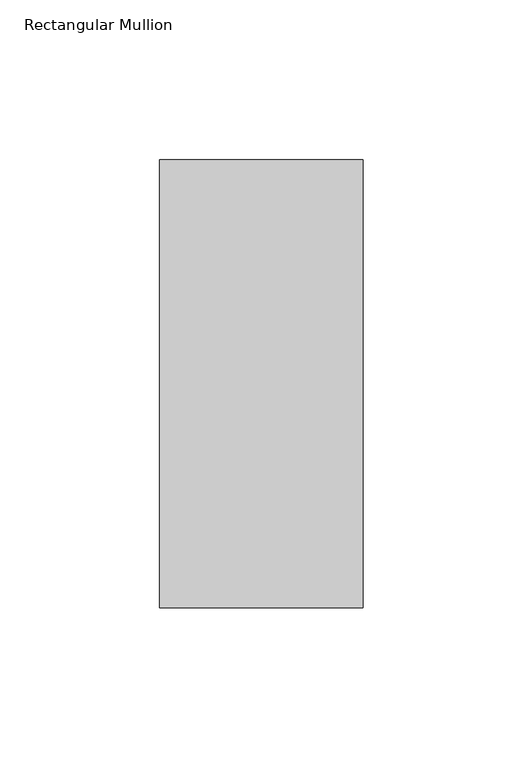
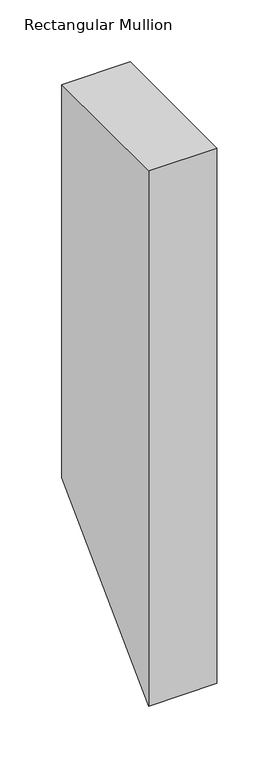
"""IFC4 building model written with IfcOpenShell, lengths in millimetres: member geometry, Rectangular Mullion."""

from ifc_helpers import new_model, si_unit, frame, origin, place, context, project, spatial, polyline, outline, extrude, source, transform, mapped, element, save


def rectangular_mullion_269bec16(model_context):
    return source(origin(), model_context, "Body", "SweptSolid", [
        extrude(outline(polyline([(50.8202784, 0.0), (190.7881317, 0.0), (190.7881317, -387.0618683), (50.8202784, -527.0297216), (50.8202784, 0.0)])), frame((-63.5, 0.0, 0.0), z_axis=(1.0, 0.0, 0.0), x_axis=(0.0, 1.0, 0.0)), (0.0, 0.0, 1.0), 63.5),
    ])


if __name__ == "__main__":
    model = new_model("IFC4")
    model_context = context("Model", 3, world=origin())
    ifc_project = project(units=[si_unit("LENGTHUNIT", "METRE", prefix="MILLI")], contexts=[model_context])
    site = spatial("IfcSite", under=ifc_project)
    building = spatial("IfcBuilding", under=site)
    placement = place(None, origin())
    rectangular_mullion_shape = rectangular_mullion_269bec16(model_context)
    element("IfcMember", 1, ObjectType="Rectangular Mullion", at=placement, inside=building, context=model_context, shape_type="MappedRepresentation", body=[
        mapped(rectangular_mullion_shape, transform((0.0, 0.0, 0.0), x_axis=(1.0, 0.0, 0.0), y_axis=(0.0, 1.0, 0.0), z_axis=(0.0, 0.0, 1.0))),
    ])
    save(model, "model.ifc")
